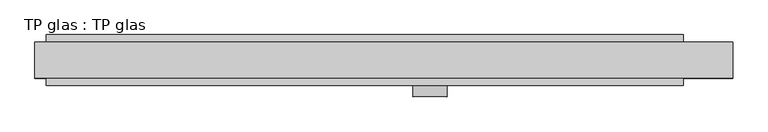
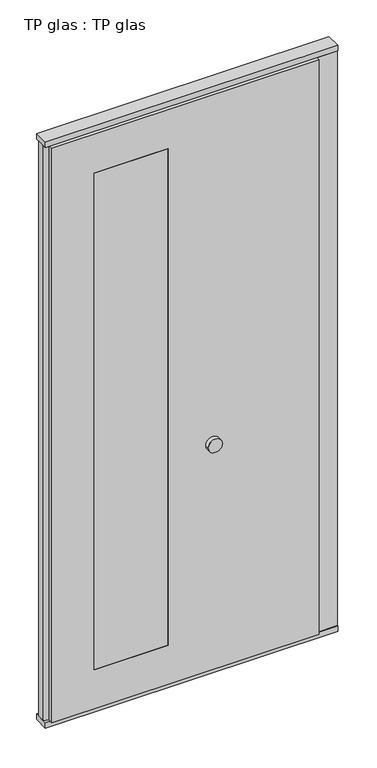
"""IFC4 building model written with IfcOpenShell, lengths in millimetres: plate geometry, TP glas : TP glas."""

from ifc_helpers import new_model, si_unit, point, frame, frame_2d, origin, origin_with_axes, place, context, project, spatial, polyline, circle_curve, trimmed, segment, composite_curve, outline, extrude, faceted_brep, source, transform, mapped, element, save


def tp_glas_tp_glas_74db3cbf(model_context):
    return source(origin(), model_context, "Body", "SolidModel", [
        faceted_brep([(-600.0, -22.9993165, 25.0), (-600.0, -45.0, 25.0), (-600.0, -45.0, 2602.0), (-600.0, -22.9993165, 2602.0), (-620.0, -17.6401049, 25.0), (-620.0, -17.6401049, 2602.0), (-620.0, 17.6401049, 25.0), (-620.0, 17.6401049, 2602.0), (-600.0, 22.9993165, 25.0), (-600.0, 22.9993165, 2602.0), (-600.0, 45.0, 25.0), (-600.0, 45.0, 2602.0), (532.0507813, 45.0, 25.0), (532.0507813, 30.5, 25.0), (620.0, 30.5, 25.0), (620.0, -30.5, 25.0), (532.0507813, -30.5, 25.0), (532.0507813, -45.0, 25.0), (532.0507813, 45.0, 2602.0), (532.0507813, 30.5, 2602.0), (620.0, 30.5, 2602.0), (620.0, -30.5, 2602.0), (532.0507813, -30.5, 2602.0), (532.0507813, -45.0, 2602.0), (-420.0, -45.0, 2427.0), (-107.9492187, -45.0, 2427.0), (-107.9492187, -45.0, 200.0), (-420.0, -45.0, 200.0), (-107.9492187, 45.0, 2427.0), (-420.0, 45.0, 2427.0), (-420.0, 45.0, 200.0), (-107.9492187, 45.0, 200.0)], [[[0, 1, 2, 3]], [[4, 0, 3, 5]], [[6, 4, 5, 7]], [[8, 6, 7, 9]], [[10, 8, 9, 11]], [[12, 13, 14, 15, 16, 17, 1, 0, 4, 6, 8, 10]], [[13, 12, 18, 19]], [[14, 13, 19, 20]], [[15, 14, 20, 21]], [[16, 15, 21, 22]], [[17, 16, 22, 23]], [[1, 17, 23, 2], [24, 25, 26, 27]], [[11, 18, 12, 10], [28, 29, 30, 31]], [[23, 22, 21, 20, 19, 18, 11, 9, 7, 5, 3, 2]], [[28, 25, 24, 29]], [[29, 24, 27, 30]], [[30, 27, 26, 31]], [[25, 28, 31, 26]]]),
        extrude(outline(polyline([(-620.0, -32.0), (-620.0, 32.0), (620.0, 32.0), (620.0, -32.0), (-620.0, -32.0)])), origin_with_axes(), (0.0, 0.0, 1.0), 25.0),
        extrude(outline(polyline([(-620.0, -32.0), (-620.0, 32.0), (620.0, 32.0), (620.0, -32.0), (-620.0, -32.0)])), frame((0.0, 0.0, 2602.0), z_axis=(0.0, 0.0, 1.0), x_axis=(1.0, 0.0, 0.0)), (0.0, 0.0, 1.0), 25.0),
        extrude(outline(composite_curve([segment(trimmed(circle_curve(frame_2d((1040.0, 82.0507812)), 30.0), [point((1040.0, 112.0507813))], [point((1040.0, 52.0507812))], False, "CARTESIAN"), True, "CONTINUOUS"), segment(trimmed(circle_curve(frame_2d((1040.0, 82.0507812)), 30.0), [point((1040.0, 52.0507812))], [point((1040.0, 112.0507813))], False, "CARTESIAN"), True, "CONTINUOUS")], self_intersect=False)), frame((0.0, -65.0, 0.0), z_axis=(0.0, 1.0, 0.0), x_axis=(0.0, 0.0, 1.0)), (0.0, 0.0, 1.0), 20.0),
        extrude(outline(polyline([(-107.9492187, -45.0), (-420.0, -45.0), (-420.0, 45.0), (-107.9492187, 45.0), (-107.9492187, -45.0)])), frame((0.0, 0.0, 200.0), z_axis=(0.0, 0.0, 1.0), x_axis=(1.0, 0.0, 0.0)), (0.0, 0.0, 1.0), 2227.0),
    ])


if __name__ == "__main__":
    model = new_model("IFC4")
    model_context = context("Model", 3, world=origin())
    ifc_project = project(units=[si_unit("LENGTHUNIT", "METRE", prefix="MILLI")], contexts=[model_context])
    site = spatial("IfcSite", under=ifc_project)
    building = spatial("IfcBuilding", under=site)
    placement = place(None, origin())
    tp_glas_tp_glas_shape = tp_glas_tp_glas_74db3cbf(model_context)
    element("IfcPlate", 1, ObjectType="TP glas : TP glas", at=placement, inside=building, context=model_context, shape_type="MappedRepresentation", body=[
        mapped(tp_glas_tp_glas_shape, transform((0.0, 0.0, 0.0), x_axis=(1.0, 0.0, 0.0), y_axis=(0.0, 1.0, 0.0), z_axis=(0.0, 0.0, 1.0))),
    ])
    save(model, "model.ifc")
